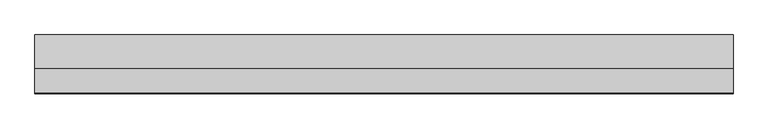
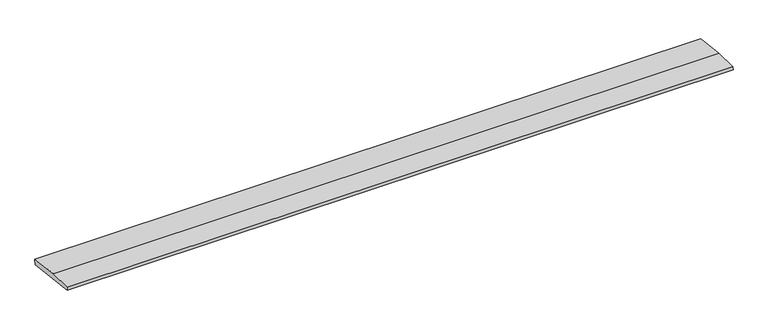
"""IFC4 building model written with IfcOpenShell, lengths in millimetres: beam geometry."""

from ifc_helpers import new_model, si_unit, frame, origin, place, context, project, spatial, polyline, outline, extrude, source, transform, mapped, element, save


def beam_7c082024(model_context):
    return source(origin(), model_context, "Body", "SweptSolid", [
        extrude(outline(polyline([(0.0, -9.143159), (1.1226388, 0.0), (79.0749747, 0.0), (180.9387048, -12.5072934), (178.6231873, -31.3656703), (0.0, -9.143159)])), frame((-1071.8664469, 0.0, 0.0), z_axis=(1.0, 0.0, 0.0), x_axis=(0.0, 1.0, 0.0)), (0.0, 0.0, 1.0), 2143.7328938),
    ])


if __name__ == "__main__":
    model = new_model("IFC4")
    model_context = context("Model", 3, world=origin())
    ifc_project = project(units=[si_unit("LENGTHUNIT", "METRE", prefix="MILLI")], contexts=[model_context])
    site = spatial("IfcSite", under=ifc_project)
    building = spatial("IfcBuilding", under=site)
    placement = place(None, origin())
    beam_shape = beam_7c082024(model_context)
    element("IfcBeam", 1, at=placement, inside=building, context=model_context, shape_type="MappedRepresentation", body=[
        mapped(beam_shape, transform((0.0, 0.0, 0.0), x_axis=(1.0, 0.0, 0.0), y_axis=(0.0, 1.0, 0.0), z_axis=(0.0, 0.0, 1.0))),
    ])
    save(model, "model.ifc")
